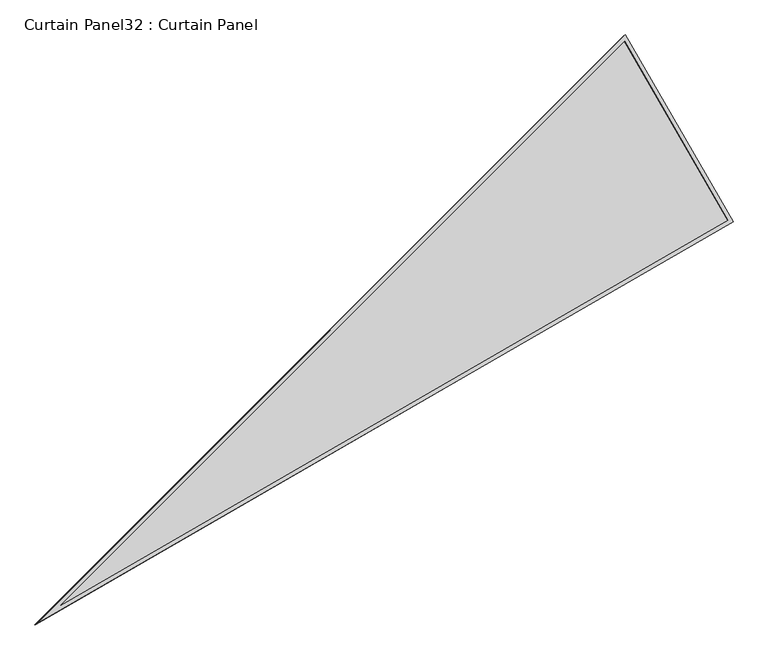
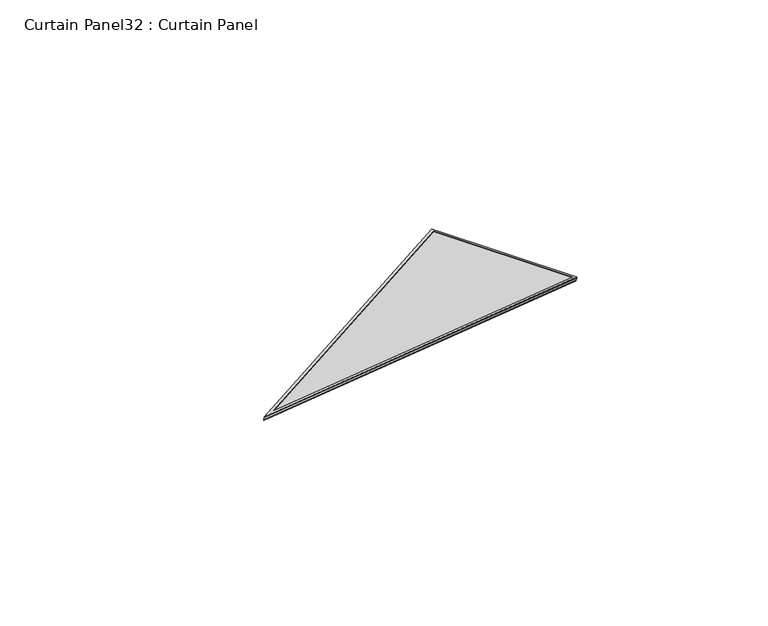
"""IFC4 building model written with IfcOpenShell, lengths in millimetres: plate geometry, Curtain Panel32 : Curtain Panel."""

from ifc_helpers import new_model, si_unit, frame, origin, place, context, project, spatial, polyline, outline, extrude, source, transform, mapped, element, save


def curtain_panel32_curtain_panel_989cb32c(model_context):
    return source(origin(), model_context, "Body", "SweptSolid", [
        extrude(outline(polyline([(895.9373554, 0.0), (895.9373554, -3524.4506618), (0.0, 0.0), (895.9373554, 0.0)]), holes=[polyline([(879.2745575, -16.6627979), (21.4285394, -16.6627978), (879.2745575, -3391.2692345), (879.2745575, -16.6627979)])]), frame((17165.8690025, 6195.7913482, 898.7088954), z_axis=(0.27379031486167993, 0.1580729119868999, 0.9487106081329142), x_axis=(0.4999999999999912, -0.8660254037844438, 0.0)), (0.0, 0.0, 1.0), 4.8225431),
        extrude(outline(polyline([(895.9373554, 0.0), (895.9373555, -3524.4506618), (0.0, 0.0), (895.9373554, 0.0)]), holes=[polyline([(885.6245575, -10.3127979), (13.2623703, -10.3127979), (885.6245576, -3442.0231397), (885.6245575, -10.3127979)])]), frame((17161.0403784, 6193.0035408, 881.9772337), z_axis=(0.2737903148616865, 0.1580729119869041, 0.9487106081329117), x_axis=(0.49999999999999206, -0.8660254037844433, 0.0)), (0.0, 0.0, 1.0), 4.8026954),
        extrude(outline(polyline([(20.1836541, 0.0), (916.1210096, 0.0), (916.1210095, -3524.4506617), (20.1836541, 0.0)])), frame((17152.2634828, 6211.242274, 886.5336018), z_axis=(0.2737903148616801, 0.15807291198690002, 0.9487106081329142), x_axis=(0.4999999999999919, -0.8660254037844434, 0.0)), (0.0, 0.0, 1.0), 12.8335168),
    ])


if __name__ == "__main__":
    model = new_model("IFC4")
    model_context = context("Model", 3, world=origin())
    ifc_project = project(units=[si_unit("LENGTHUNIT", "METRE", prefix="MILLI")], contexts=[model_context])
    site = spatial("IfcSite", under=ifc_project)
    building = spatial("IfcBuilding", under=site)
    placement = place(None, origin())
    curtain_panel32_curtain_panel_shape = curtain_panel32_curtain_panel_989cb32c(model_context)
    element("IfcPlate", 1, ObjectType="Curtain Panel32 : Curtain Panel", at=placement, inside=building, context=model_context, shape_type="MappedRepresentation", body=[
        mapped(curtain_panel32_curtain_panel_shape, transform((0.0, 0.0, 0.0), x_axis=(1.0, 0.0, 0.0), y_axis=(0.0, 1.0, 0.0), z_axis=(0.0, 0.0, 1.0))),
    ])
    save(model, "model.ifc")
